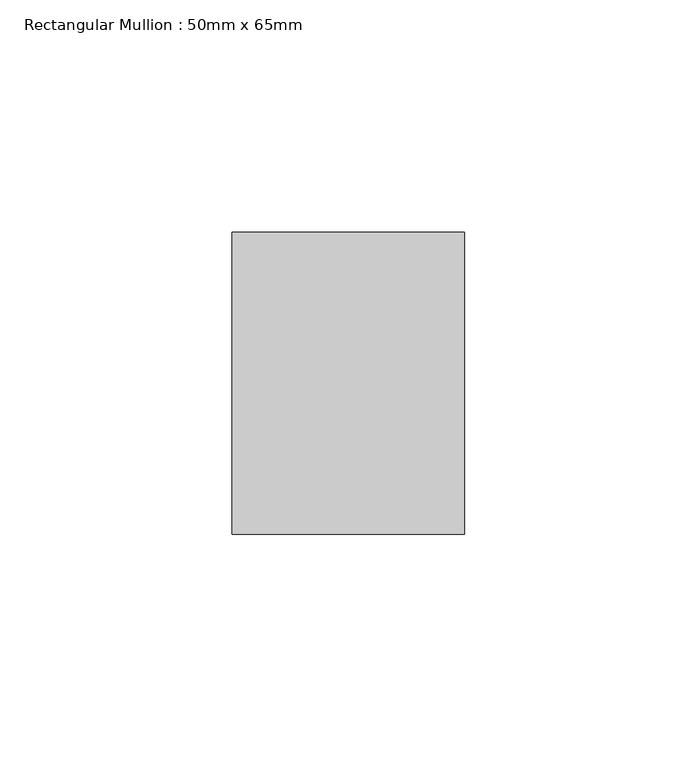
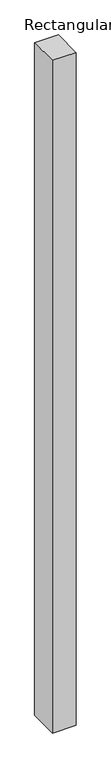
"""IFC4 building model written with IfcOpenShell, lengths in millimetres: member geometry, Rectangular Mullion : 50mm x 65mm."""

from ifc_helpers import new_model, si_unit, origin, place, context, project, spatial, faceted_brep, source, transform, mapped, element, save


def rectangular_mullion_50mm_x_65mm_84b11b8e(model_context):
    return source(origin(), model_context, "Body", "Brep", [
        faceted_brep([(-25.0, 32.5, -0.0980879), (25.0, 32.5, -0.0980884), (25.0, 32.5, -1499.8164514), (-25.0, 32.5, -1499.8164524), (-25.0, -32.5, 0.0980884), (-25.0, -32.5, -1500.1835958), (25.0, -32.5, 0.0980879), (25.0, -32.5, -1500.1835948)], [[[0, 1, 2, 3]], [[4, 0, 3, 5]], [[6, 4, 5, 7]], [[1, 6, 7, 2]], [[1, 0, 4, 6]], [[2, 7, 5, 3]]]),
    ])


if __name__ == "__main__":
    model = new_model("IFC4")
    model_context = context("Model", 3, world=origin())
    ifc_project = project(units=[si_unit("LENGTHUNIT", "METRE", prefix="MILLI")], contexts=[model_context])
    site = spatial("IfcSite", under=ifc_project)
    building = spatial("IfcBuilding", under=site)
    placement = place(None, origin())
    rectangular_mullion_50mm_x_65mm_shape = rectangular_mullion_50mm_x_65mm_84b11b8e(model_context)
    element("IfcMember", 1, ObjectType="Rectangular Mullion : 50mm x 65mm", at=placement, inside=building, context=model_context, shape_type="MappedRepresentation", body=[
        mapped(rectangular_mullion_50mm_x_65mm_shape, transform((0.0, 0.0, 0.0), x_axis=(1.0, 0.0, 0.0), y_axis=(0.0, 1.0, 0.0), z_axis=(0.0, 0.0, 1.0))),
    ])
    save(model, "model.ifc")
